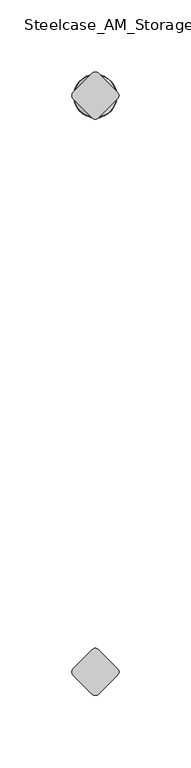
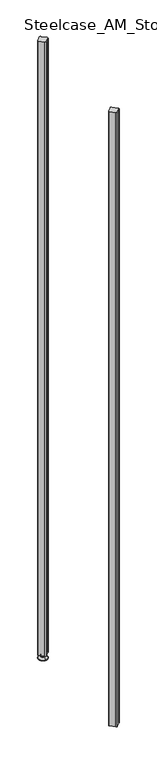
"""IFC4 building model written with IfcOpenShell, lengths in millimetres: furniture geometry, Steelcase_AM_Storage_FlexActiveFrames_FrameExtension : 5 High."""

import ifcopenshell
import ifcopenshell.guid

model = None  # the IFC model being written
_history = None  # IfcOwnerHistory: only IFC2X3 demands one
_inside = {}  # id of a spatial element -> (the spatial element, [elements in it])
_under = {}  # id of a project, library or spatial element -> (it, [spatial elements below it])
_declared = {}  # id of a project -> (the project, [libraries it declares])
_typed = {}  # id of a type object -> (the type object, [elements of that type])
_made_of = {}  # id of a material, layer set ... -> (it, [elements and type objects made of it])


def new_model(schema):
    """Start an empty IFC model of exactly this schema.

    Asked for "IFC4X3", IfcOpenShell would pick the latest addendum, in which some entities
    have other attributes; the version numbers below select the first issue.
    IFC2X3 requires an IfcOwnerHistory on every rooted entity: one is made here for all.
    """
    global model, _history
    if schema == "IFC4X3":
        model = ifcopenshell.file(schema_version=(4, 3, 0, 0))
    else:
        model = ifcopenshell.file(schema=schema)
    _inside.clear()
    _under.clear()
    _declared.clear()
    _typed.clear()
    _made_of.clear()
    _history = None
    if model.schema == "IFC2X3":
        org = make("IfcOrganization", Name="unknown")
        user = make(
            "IfcPersonAndOrganization",
            ThePerson=make("IfcPerson", FamilyName="unknown"),
            TheOrganization=org,
        )
        app = make(
            "IfcApplication",
            ApplicationDeveloper=org,
            Version="unknown",
            ApplicationFullName="unknown",
            ApplicationIdentifier="unknown",
        )
        _history = make(
            "IfcOwnerHistory",
            OwningUser=user,
            OwningApplication=app,
            ChangeAction="ADDED",
            CreationDate=0,
        )
    return model


def make(cls, **values):
    """One entity of the class cls with the attributes given. An attribute that is None is left unset."""
    return model.create_entity(
        cls, **{name: value for name, value in values.items() if value is not None}
    )


def rooted(cls, **values):
    """An entity with a GlobalId (a new one), such as an element, a storey or a relation."""
    return make(cls, GlobalId=ifcopenshell.guid.new(), OwnerHistory=_history, **values)


def si_unit(unit_type, name, prefix=None):
    """IfcSIUnit, for example si_unit("LENGTHUNIT", "METRE", prefix="MILLI")."""
    return make("IfcSIUnit", UnitType=unit_type, Prefix=prefix, Name=name)


def assignment(units):
    """IfcUnitAssignment: the units of a project."""
    return None if units is None else make("IfcUnitAssignment", Units=units)


def point(xyz):
    """IfcCartesianPoint."""
    return None if xyz is None else make("IfcCartesianPoint", Coordinates=xyz)


def direction(xyz):
    """IfcDirection."""
    return None if xyz is None else make("IfcDirection", DirectionRatios=xyz)


def frame(location, z_axis=None, x_axis=None):
    """IfcAxis2Placement3D, a coordinate frame: its origin and axes. An axis left out is left unset."""
    return make(
        "IfcAxis2Placement3D",
        Location=point(location),
        Axis=direction(z_axis),
        RefDirection=direction(x_axis),
    )


def frame_2d(location, x_axis=None):
    """IfcAxis2Placement2D, a coordinate frame in the plane: its origin and x axis."""
    return make(
        "IfcAxis2Placement2D", Location=point(location), RefDirection=direction(x_axis)
    )


def origin():
    """The frame at (0, 0, 0) with its axes left unset."""
    return frame((0.0, 0.0, 0.0))


def place(relative_to, where):
    """IfcLocalPlacement: puts the frame where relative to a parent placement (None: the world)."""
    return make(
        "IfcLocalPlacement", PlacementRelTo=relative_to, RelativePlacement=where
    )


def context(
    kind, dimensions, precision=None, world=None, true_north=None, identifier=None
):
    """IfcGeometricRepresentationContext, for example the 3D "Model" context."""
    return make(
        "IfcGeometricRepresentationContext",
        ContextIdentifier=identifier,
        ContextType=kind,
        CoordinateSpaceDimension=dimensions,
        Precision=precision,
        WorldCoordinateSystem=world,
        TrueNorth=true_north,
    )


def project(units=None, contexts=None):
    """IfcProject with its units and contexts."""
    return rooted(
        "IfcProject",
        Name="project",
        RepresentationContexts=contexts,
        UnitsInContext=assignment(units),
    )


def spatial(cls, under=None, at=None, **own):
    """A site, building, storey or space (cls), placed at a placement, below another one or the project."""
    s = rooted(cls, ObjectPlacement=at, **own)
    if under is not None:
        _under.setdefault(under.id(), (under, []))[1].append(s)
    return s


def polyline(points):
    """IfcPolyline through the points."""
    return make("IfcPolyline", Points=[point(p) for p in points])


def circle_curve(where, radius):
    """IfcCircle in the frame where."""
    return make("IfcCircle", Position=where, Radius=radius)


def ellipse_curve(where, semi_axis1, semi_axis2):
    """IfcEllipse in the frame where."""
    return make(
        "IfcEllipse", Position=where, SemiAxis1=semi_axis1, SemiAxis2=semi_axis2
    )


def trimmed(basis, trim1, trim2, sense, master):
    """IfcTrimmedCurve: the piece of a basis curve between two trims."""
    return make(
        "IfcTrimmedCurve",
        BasisCurve=basis,
        Trim1=trim1,
        Trim2=trim2,
        SenseAgreement=sense,
        MasterRepresentation=master,
    )


def segment(curve, same_sense, transition):
    """IfcCompositeCurveSegment."""
    return make(
        "IfcCompositeCurveSegment",
        Transition=transition,
        SameSense=same_sense,
        ParentCurve=curve,
    )


def composite_curve(segments, self_intersect=None):
    """IfcCompositeCurve: segments joined end to end."""
    return make("IfcCompositeCurve", Segments=segments, SelfIntersect=self_intersect)


def outline(outer, holes=None, kind="AREA"):
    """IfcArbitraryClosedProfileDef: a profile drawn as a closed curve; with holes, ...WithVoids."""
    if holes is None:
        return make("IfcArbitraryClosedProfileDef", ProfileType=kind, OuterCurve=outer)
    return make(
        "IfcArbitraryProfileDefWithVoids",
        ProfileType=kind,
        OuterCurve=outer,
        InnerCurves=holes,
    )


def extrude(swept, where, along, depth):
    """IfcExtrudedAreaSolid: the profile swept, set in the frame where, extruded along a direction by depth."""
    return make(
        "IfcExtrudedAreaSolid",
        SweptArea=swept,
        Position=where,
        ExtrudedDirection=direction(along),
        Depth=depth,
    )


def shape(context_of_items, identifier, shape_type, items):
    """IfcShapeRepresentation: the items that make up one representation, for example the "Body"."""
    return make(
        "IfcShapeRepresentation",
        ContextOfItems=context_of_items,
        RepresentationIdentifier=identifier,
        RepresentationType=shape_type,
        Items=items,
    )


def source(mapping_origin, context_of_items, identifier, shape_type, items):
    """IfcRepresentationMap: a shape defined once, which mapped items show again and again."""
    return make(
        "IfcRepresentationMap",
        MappingOrigin=mapping_origin,
        MappedRepresentation=shape(context_of_items, identifier, shape_type, items),
    )


def transform(
    local_origin,
    x_axis=None,
    y_axis=None,
    z_axis=None,
    scale=None,
    scale2=None,
    scale3=None,
    uniform=True,
):
    """IfcCartesianTransformationOperator3D, or its non-uniform kind. x_axis, y_axis, z_axis: its Axis1, 2, 3."""
    if uniform:
        return make(
            "IfcCartesianTransformationOperator3D",
            Axis1=direction(x_axis),
            Axis2=direction(y_axis),
            LocalOrigin=point(local_origin),
            Scale=scale,
            Axis3=direction(z_axis),
        )
    return make(
        "IfcCartesianTransformationOperator3DnonUniform",
        Axis1=direction(x_axis),
        Axis2=direction(y_axis),
        LocalOrigin=point(local_origin),
        Scale=scale,
        Axis3=direction(z_axis),
        Scale2=scale2,
        Scale3=scale3,
    )


def mapped(mapping_source, mapping_target):
    """IfcMappedItem: shows the shape of a source again, moved by a transform."""
    return make(
        "IfcMappedItem", MappingSource=mapping_source, MappingTarget=mapping_target
    )


def made_of(thing, what):
    """Note that an element or type object is made of a material, layer set ...; save() writes the relation."""
    if what is not None:
        _made_of.setdefault(what.id(), (what, []))[1].append(thing)
    return thing


def element(
    cls,
    number,
    at=None,
    inside=None,
    cuts=None,
    type_object=None,
    material=None,
    context=None,
    identifier="Body",
    shape_type=None,
    held_by="IfcProductDefinitionShape",
    body=None,
    shapes=None,
    **own,
):
    """One element of the class cls, such as IfcWall. Its Tag is "e" and its number.

    at: its placement. inside: the storey or other place that contains it. cuts: it is an
    opening in that element (IfcRelVoidsElement). A single representation is given by context,
    identifier, shape_type and body (its items); several are given by shapes. held_by: the class
    of the entity that holds the representations. save() writes the other relations.
    """
    e = rooted(cls, Tag="e%d" % number, ObjectPlacement=at, **own)
    if body is not None:
        shapes = [shape(context, identifier, shape_type, body)]
    if shapes is not None:
        e.Representation = make(held_by, Representations=shapes)
    if inside is not None:
        _inside.setdefault(inside.id(), (inside, []))[1].append(e)
    if cuts is not None:
        rooted(
            "IfcRelVoidsElement", RelatingBuildingElement=cuts, RelatedOpeningElement=e
        )
    if type_object is not None:
        _typed.setdefault(type_object.id(), (type_object, []))[1].append(e)
    return made_of(e, material)


def aggregate(whole, parts):
    """IfcRelAggregates: a whole, such as a stair, and the parts it consists of."""
    return rooted("IfcRelAggregates", RelatingObject=whole, RelatedObjects=parts)


def save(model, path):
    """Write the relations noted so far, then the file.

    IfcRelAggregates (storeys below a building ...), IfcRelContainedInSpatialStructure (elements
    in a storey), IfcRelDefinesByType, IfcRelAssociatesMaterial and IfcRelDeclares: one each for
    every whole, place, type object, material and project.
    """
    for whole, parts in _under.values():
        aggregate(whole, parts)
    for where, things in _inside.values():
        rooted(
            "IfcRelContainedInSpatialStructure",
            RelatedElements=things,
            RelatingStructure=where,
        )
    for kind, things in _typed.values():
        rooted("IfcRelDefinesByType", RelatedObjects=things, RelatingType=kind)
    for what, things in _made_of.values():
        rooted("IfcRelAssociatesMaterial", RelatedObjects=things, RelatingMaterial=what)
    for by, libraries in _declared.values():
        rooted("IfcRelDeclares", RelatingContext=by, RelatedDefinitions=libraries)
    model.write(path)


def plane_surface(at):
    """IfcPlane: the flat surface through the origin of the frame at, square to its z axis."""
    return make("IfcPlane", Position=at)


def cylinder_surface(at, radius):
    """IfcCylindricalSurface: all points at the distance radius from the z axis of the frame at."""
    return make("IfcCylindricalSurface", Position=at, Radius=radius)


def revolved_surface(curve, axis_point, axis_direction):
    """IfcSurfaceOfRevolution: the curve turned about the line through axis_point along axis_direction."""
    return make(
        "IfcSurfaceOfRevolution",
        SweptCurve=make("IfcArbitraryOpenProfileDef", ProfileType="CURVE", Curve=curve),
        AxisPosition=make("IfcAxis1Placement", Location=point(axis_point), Axis=direction(axis_direction)),
    )


def advanced_brep(points, edges, surfaces, faces):
    """IfcAdvancedBrep: a solid bounded by faces that lie on surfaces and meet in shared edges.

    An edge is (start, end): straight between two places in points (the first is 0);
    or (start, end, curve); or (start, end, curve, False) where it runs against its curve.
    A face is (place in surfaces, loops), or (place, loops, False) where it looks against
    its surface's normal. A loop lists edges by number (the first is 1), with a minus sign
    where the edge is run from its end to its start. The first loop is the outer one.
    """
    corners = [point(p) for p in points]
    vertices = [make("IfcVertexPoint", VertexGeometry=c) for c in corners]
    made = []
    for start, end, *more in edges:
        made.append(
            make(
                "IfcEdgeCurve",
                EdgeStart=vertices[start],
                EdgeEnd=vertices[end],
                EdgeGeometry=more[0] if more else make("IfcPolyline", Points=[corners[start], corners[end]]),
                SameSense=more[1] if len(more) > 1 else True,
            )
        )
    hull = []
    for where, loops, *sense in faces:
        bounds = []
        for j, loop in enumerate(loops):
            ring = [make("IfcOrientedEdge", EdgeElement=made[abs(k) - 1], Orientation=k > 0) for k in loop]
            bounds.append(
                make(
                    "IfcFaceOuterBound" if j == 0 else "IfcFaceBound",
                    Bound=make("IfcEdgeLoop", EdgeList=ring),
                    Orientation=True,
                )
            )
        hull.append(make("IfcAdvancedFace", Bounds=bounds, FaceSurface=surfaces[where], SameSense=sense[0] if sense else True))
    return make("IfcAdvancedBrep", Outer=make("IfcClosedShell", CfsFaces=hull))


def steelcase_am_storage_flexactiveframes_frameextension_5_high_90a384d9(model_context):
    return source(origin(), model_context, "Body", "SolidModel", [
        advanced_brep(
        [(400.05, 400.05, 15.9766), (400.05, 404.049659, 15.9766), (400.05, 396.050341, 15.9766), (400.05, 404.049659, 12.6000054), (400.05, 396.050341, 12.6000054), (400.05, 405.9101455, 12.6000074), (400.05, 394.1898545, 12.6000074), (400.05, 406.5451462, 11.9650074), (400.05, 393.5548538, 11.9650074), (400.05, 406.5451462, 9.0000124), (400.05, 393.5548538, 9.0000124), (400.05, 408.7921976, 9.0000124), (400.05, 391.3078024, 9.0000124), (400.05, 414.7560077, 2.3275608), (400.05, 385.3439923, 2.3275608), (400.05, 413.714601, 0.0), (400.05, 386.385399, 0.0), (400.05, 400.05, 0.0)],
        [
            (0, 1),
            (1, 2, circle_curve(frame((400.05, 400.05, 15.9766), z_axis=(0.0, 0.0, 1.0), x_axis=(0.0, -1.0, 0.0)), 3.999659)),
            (2, 0),
            (2, 1, circle_curve(frame((400.05, 400.05, 15.9766), z_axis=(0.0, 0.0, 1.0), x_axis=(0.0, -1.0, 0.0)), 3.999659)),
            (1, 3),
            (3, 4, circle_curve(frame((400.05, 400.05, 12.6000054), z_axis=(0.0, 0.0, 1.0), x_axis=(0.0, -1.0, 0.0)), 3.999659)),
            (4, 2),
            (4, 3, circle_curve(frame((400.05, 400.05, 12.6000054), z_axis=(0.0, 0.0, 1.0), x_axis=(0.0, -1.0, 0.0)), 3.999659)),
            (3, 5),
            (5, 6, circle_curve(frame((400.05, 400.05, 12.6000074), z_axis=(0.0, 0.0, 1.0), x_axis=(0.0, -1.0, 0.0)), 5.8601455)),
            (6, 4),
            (6, 5, circle_curve(frame((400.05, 400.05, 12.6000074), z_axis=(0.0, 0.0, 1.0), x_axis=(0.0, -1.0, 0.0)), 5.8601455)),
            (5, 7, circle_curve(frame((400.05, 405.9101462, 11.9650074), z_axis=(-1.0, 0.0, 0.0), x_axis=(0.0, 1.0, 0.0)), 0.635)),
            (7, 8, circle_curve(frame((400.05, 400.05, 11.9650074), z_axis=(0.0, 0.0, 1.0), x_axis=(0.0, -1.0, 0.0)), 6.4951462)),
            (8, 6, circle_curve(frame((400.05, 394.1898538, 11.9650074), z_axis=(-1.0, 0.0, 0.0), x_axis=(0.0, -1.0, 0.0)), 0.635)),
            (8, 7, circle_curve(frame((400.05, 400.05, 11.9650074), z_axis=(0.0, 0.0, 1.0), x_axis=(0.0, -1.0, 0.0)), 6.4951462)),
            (7, 9),
            (9, 10, circle_curve(frame((400.05, 400.05, 9.0000124), z_axis=(0.0, 0.0, 1.0), x_axis=(0.0, -1.0, 0.0)), 6.4951462)),
            (10, 8),
            (10, 9, circle_curve(frame((400.05, 400.05, 9.0000124), z_axis=(0.0, 0.0, 1.0), x_axis=(0.0, -1.0, 0.0)), 6.4951462)),
            (9, 11),
            (11, 12, circle_curve(frame((400.05, 400.05, 9.0000124), z_axis=(0.0, 0.0, 1.0), x_axis=(0.0, -1.0, 0.0)), 8.7421976)),
            (12, 10),
            (12, 11, circle_curve(frame((400.05, 400.05, 9.0000124), z_axis=(0.0, 0.0, 1.0), x_axis=(0.0, -1.0, 0.0)), 8.7421976)),
            (11, 13),
            (13, 14, circle_curve(frame((400.05, 400.05, 2.3275608), z_axis=(0.0, 0.0, 1.0), x_axis=(0.0, -1.0, 0.0)), 14.7060077)),
            (14, 12),
            (14, 13, circle_curve(frame((400.05, 400.05, 2.3275608), z_axis=(0.0, 0.0, 1.0), x_axis=(0.0, -1.0, 0.0)), 14.7060077)),
            (13, 15, circle_curve(frame((400.05, 413.714601, 1.3967556), z_axis=(-1.0, 0.0, 0.0), x_axis=(0.0, 1.0, 0.0)), 1.3967556)),
            (15, 16, circle_curve(frame((400.05, 400.05, 0.0), z_axis=(0.0, 0.0, 1.0), x_axis=(0.0, -1.0, 0.0)), 13.664601)),
            (16, 14, circle_curve(frame((400.05, 386.385399, 1.3967556), z_axis=(-1.0, 0.0, 0.0), x_axis=(0.0, -1.0, 0.0)), 1.3967556)),
            (16, 15, circle_curve(frame((400.05, 400.05, 0.0), z_axis=(0.0, 0.0, 1.0), x_axis=(0.0, -1.0, 0.0)), 13.664601)),
            (15, 17),
            (17, 16),
        ],
        [
            plane_surface(frame((400.05, 400.05, 15.9766), z_axis=(0.0, 0.0, 1.0), x_axis=(0.0, -1.0, 0.0))),
            cylinder_surface(frame((400.05, 400.05, -4.132372), z_axis=(0.0, 0.0, 1.0), x_axis=(0.0, -1.0, 0.0)), 3.999659),
            plane_surface(frame((400.05, 400.05, 12.6000074), z_axis=(0.0, 0.0, 1.0), x_axis=(0.0, -1.0, 0.0))),
            revolved_surface(trimmed(ellipse_curve(frame((400.05, 394.1898538, 11.9650074), z_axis=(-1.0, 0.0, 0.0), x_axis=(0.0, -1.0, 0.0)), 0.635, 0.635), [point((400.05, 393.5548538, 11.9650074))], [point((400.05, 394.1898545, 12.6000074))], True, "CARTESIAN"), (400.05, 400.05, -4.132372), (0.0, 0.0, 1.0)),
            cylinder_surface(frame((400.05, 400.05, -4.132372), z_axis=(0.0, 0.0, 1.0), x_axis=(0.0, -1.0, 0.0)), 6.4951462),
            plane_surface(frame((400.05, 400.05, 9.0000124), z_axis=(0.0, 0.0, 1.0), x_axis=(0.0, -1.0, 0.0))),
            revolved_surface(polyline([(400.05, 385.3439923, 2.3275608), (400.05, 391.3078024, 9.0000124)]), (400.05, 400.05, -4.132372), (0.0, 0.0, 1.0)),
            revolved_surface(trimmed(ellipse_curve(frame((400.05, 386.385399, 1.3967556), z_axis=(-1.0, 0.0, 0.0), x_axis=(0.0, -1.0, 0.0)), 1.3967556, 1.3967556), [point((400.05, 386.385399, 0.0))], [point((400.05, 385.3439923, 2.3275608))], True, "CARTESIAN"), (400.05, 400.05, -4.132372), (0.0, 0.0, 1.0)),
            plane_surface(frame((400.05, 400.05, 0.0), z_axis=(0.0, 0.0, -1.0), x_axis=(0.0, -1.0, 0.0))),
        ],
        [
            (0, [[1, 2, 3]]),
            (0, [[-3, 4, -1]]),
            (1, [[5, 6, 7, -2]]),
            (1, [[-7, 8, -5, -4]]),
            (2, [[9, 10, 11, -6]]),
            (2, [[-11, 12, -9, -8]]),
            (3, [[13, 14, 15, -10]]),
            (3, [[-15, 16, -13, -12]]),
            (4, [[17, 18, 19, -14]]),
            (4, [[-19, 20, -17, -16]]),
            (5, [[21, 22, 23, -18]]),
            (5, [[-23, 24, -21, -20]]),
            (6, [[25, 26, 27, -22]]),
            (6, [[-27, 28, -25, -24]]),
            (7, [[29, 30, 31, -26]]),
            (7, [[-31, 32, -29, -28]]),
            (8, [[33, 34, -30]]),
            (8, [[-34, -33, -32]]),
        ],
    ),
        extrude(outline(composite_curve([segment(polyline([(402.295064, 15.4326055), (415.4826055, 2.245064)]), True, "CONTINUOUS"), segment(trimmed(circle_curve(frame_2d((413.2375415, 0.0)), 3.175), [point((415.4826055, 2.245064))], [point((415.4826055, -2.245064))], False, "CARTESIAN"), True, "CONTINUOUS"), segment(polyline([(415.4826055, -2.245064), (402.295064, -15.4326055)]), True, "CONTINUOUS"), segment(trimmed(circle_curve(frame_2d((400.05, -13.1875415)), 3.175), [point((402.295064, -15.4326055))], [point((397.804936, -15.4326055))], False, "CARTESIAN"), True, "CONTINUOUS"), segment(polyline([(397.804936, -15.4326055), (384.6173945, -2.245064)]), True, "CONTINUOUS"), segment(trimmed(circle_curve(frame_2d((386.8624585, 0.0)), 3.175), [point((384.6173945, -2.245064))], [point((384.6173945, 2.245064))], False, "CARTESIAN"), True, "CONTINUOUS"), segment(polyline([(384.6173945, 2.245064), (397.804936, 15.4326055)]), True, "CONTINUOUS"), segment(trimmed(circle_curve(frame_2d((400.05, 13.1875415)), 3.175), [point((397.804936, 15.4326055))], [point((402.295064, 15.4326055))], False, "CARTESIAN"), True, "CONTINUOUS")], self_intersect=False)), frame((0.0, 0.0, 15.9766), z_axis=(0.0, 0.0, 1.0), x_axis=(1.0, 0.0, 0.0)), (0.0, 0.0, 1.0), 2111.2734),
        extrude(outline(composite_curve([segment(trimmed(circle_curve(frame_2d((400.05, 386.8624585)), 3.175), [point((402.295064, 384.6173945))], [point((397.804936, 384.6173945))], False, "CARTESIAN"), True, "CONTINUOUS"), segment(polyline([(397.804936, 384.6173945), (384.6173945, 397.804936)]), True, "CONTINUOUS"), segment(trimmed(circle_curve(frame_2d((386.8624585, 400.05)), 3.175), [point((384.6173945, 397.804936))], [point((384.6173945, 402.295064))], False, "CARTESIAN"), True, "CONTINUOUS"), segment(polyline([(384.6173945, 402.295064), (397.804936, 415.4826055)]), True, "CONTINUOUS"), segment(trimmed(circle_curve(frame_2d((400.05, 413.2375415)), 3.175), [point((397.804936, 415.4826055))], [point((402.295064, 415.4826055))], False, "CARTESIAN"), True, "CONTINUOUS"), segment(polyline([(402.295064, 415.4826055), (415.4826055, 402.295064)]), True, "CONTINUOUS"), segment(trimmed(circle_curve(frame_2d((413.2375415, 400.05)), 3.175), [point((415.4826055, 402.295064))], [point((415.4826055, 397.804936))], False, "CARTESIAN"), True, "CONTINUOUS"), segment(polyline([(415.4826055, 397.804936), (402.295064, 384.6173945)]), True, "CONTINUOUS")], self_intersect=False)), frame((0.0, 0.0, 15.9766), z_axis=(0.0, 0.0, 1.0), x_axis=(1.0, 0.0, 0.0)), (0.0, 0.0, 1.0), 2111.2734),
    ])


if __name__ == "__main__":
    model = new_model("IFC4")
    model_context = context("Model", 3, world=origin())
    ifc_project = project(units=[si_unit("LENGTHUNIT", "METRE", prefix="MILLI")], contexts=[model_context])
    site = spatial("IfcSite", under=ifc_project)
    building = spatial("IfcBuilding", under=site)
    placement = place(None, origin())
    steelcase_am_storage_flexactiveframes_frameextension_5_high_shape = steelcase_am_storage_flexactiveframes_frameextension_5_high_90a384d9(model_context)
    element("IfcFurniture", 1, ObjectType="Steelcase_AM_Storage_FlexActiveFrames_FrameExtension : 5 High", at=placement, inside=building, context=model_context, shape_type="MappedRepresentation", body=[
        mapped(steelcase_am_storage_flexactiveframes_frameextension_5_high_shape, transform((0.0, 0.0, 0.0), x_axis=(1.0, 0.0, 0.0), y_axis=(0.0, 1.0, 0.0), z_axis=(0.0, 0.0, 1.0))),
    ])
    save(model, "model.ifc")
